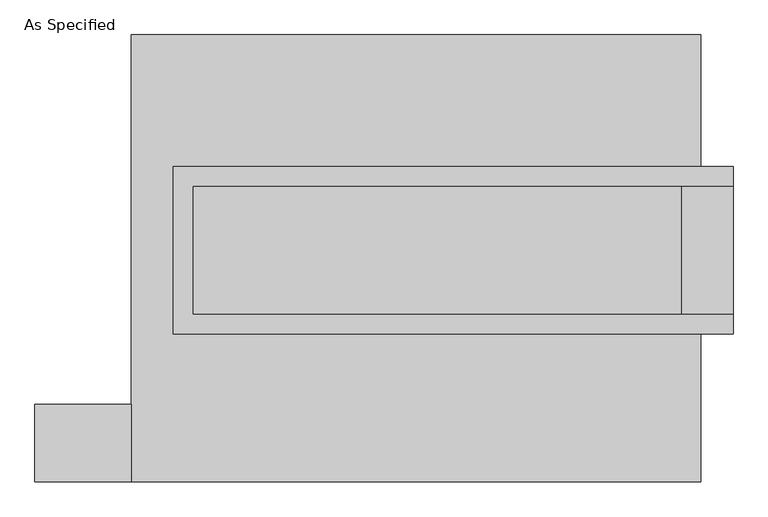
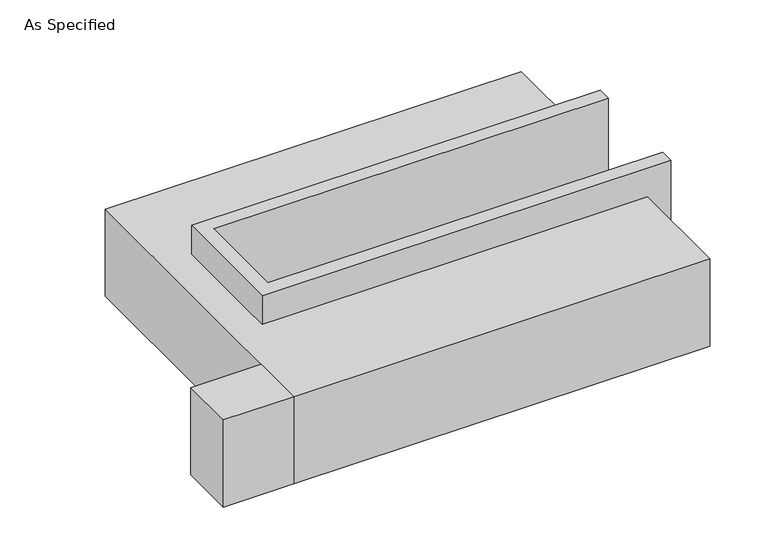
"""IFC4 building model written with IfcOpenShell, lengths in millimetres: proxy geometry, As Specified."""

from ifc_helpers import new_model, si_unit, frame, origin, place, context, project, spatial, polyline, outline, extrude, faceted_brep, source, transform, mapped, element, save


def as_specified_02fa1128(model_context):
    return source(origin(), model_context, "Body", "SolidModel", [
        extrude(outline(polyline([(-1123.95, -882.65), (-1504.95, -882.65), (-1504.95, -577.85), (-1123.95, -577.85), (-1123.95, -882.65)])), frame((0.0, 0.0, -523.9742188), z_axis=(0.0, 0.0, 1.0), x_axis=(1.0, 0.0, 0.0)), (0.0, 0.0, 1.0), 498.5742187),
        faceted_brep([(-958.85, 361.95, 139.7), (-958.85, 361.95, -393.7), (-958.85, 285.75, -393.7), (-958.85, 285.75, -25.4), (-958.85, -222.25, -25.4), (-958.85, -222.25, -393.7), (-958.85, -298.45, -393.7), (-958.85, -298.45, 139.7), (1250.95, 285.75, 139.7), (1250.95, 285.75, -317.5), (1250.95, -222.25, -317.5), (1250.95, -222.25, 139.7), (1250.95, -298.45, 139.7), (1250.95, -298.45, -393.7), (1250.95, 361.95, -393.7), (1250.95, 361.95, 139.7), (-882.65, -222.25, 139.7), (-882.65, 285.75, 139.7), (1047.75, -222.25, -393.7), (1047.75, 285.75, -393.7), (1047.75, -222.25, -317.5), (-882.65, -222.25, -25.4), (1047.75, 285.75, -317.5), (-882.65, 285.75, -25.4)], [[[0, 1, 2, 3, 4, 5, 6, 7]], [[8, 9, 10, 11, 12, 13, 14, 15]], [[0, 7, 12, 11, 16, 17, 8, 15]], [[1, 0, 15, 14]], [[14, 13, 6, 5, 18, 19, 2, 1]], [[7, 6, 13, 12]], [[11, 10, 20, 18, 5, 4, 21, 16]], [[10, 9, 22, 20]], [[9, 8, 17, 23, 3, 2, 19, 22]], [[18, 20, 22, 19]], [[23, 21, 4, 3]], [[17, 16, 21, 23]]]),
        faceted_brep([(-1123.95, 882.65, -523.9742188), (1123.95, 882.65, -523.9742188), (1123.95, -882.65, -523.9742188), (-1123.95, -882.65, -523.9742188), (1123.95, 882.65, -25.4), (-1123.95, 882.65, -25.4), (-1123.95, -882.65, -25.4), (1123.95, -882.65, -25.4), (1123.95, -298.45, -25.4), (-958.85, -298.45, -25.4), (-958.85, 361.95, -25.4), (1123.95, 361.95, -25.4), (1123.95, 361.95, -393.7), (1123.95, -298.45, -393.7), (-958.85, -298.45, -393.7), (-958.85, 361.95, -393.7)], [[[0, 1, 2, 3]], [[4, 5, 6, 7, 8, 9, 10, 11]], [[1, 0, 5, 4]], [[5, 0, 3, 6]], [[1, 4, 11, 12, 13, 8, 7, 2]], [[3, 2, 7, 6]], [[14, 15, 10, 9]], [[10, 15, 12, 11]], [[15, 14, 13, 12]], [[14, 9, 8, 13]]]),
    ])


if __name__ == "__main__":
    model = new_model("IFC4")
    model_context = context("Model", 3, world=origin())
    ifc_project = project(units=[si_unit("LENGTHUNIT", "METRE", prefix="MILLI")], contexts=[model_context])
    site = spatial("IfcSite", under=ifc_project)
    building = spatial("IfcBuilding", under=site)
    placement = place(None, origin())
    as_specified_shape = as_specified_02fa1128(model_context)
    element("IfcBuildingElementProxy", 1, Name="As Specified", ObjectType="As Specified", at=placement, inside=building, context=model_context, shape_type="MappedRepresentation", body=[
        mapped(as_specified_shape, transform((0.0, 0.0, 0.0), x_axis=(1.0, 0.0, 0.0), y_axis=(0.0, 1.0, 0.0), z_axis=(0.0, 0.0, 1.0))),
    ])
    save(model, "model.ifc")
